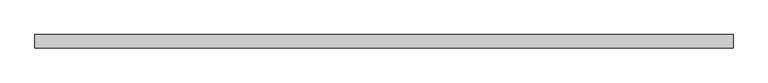
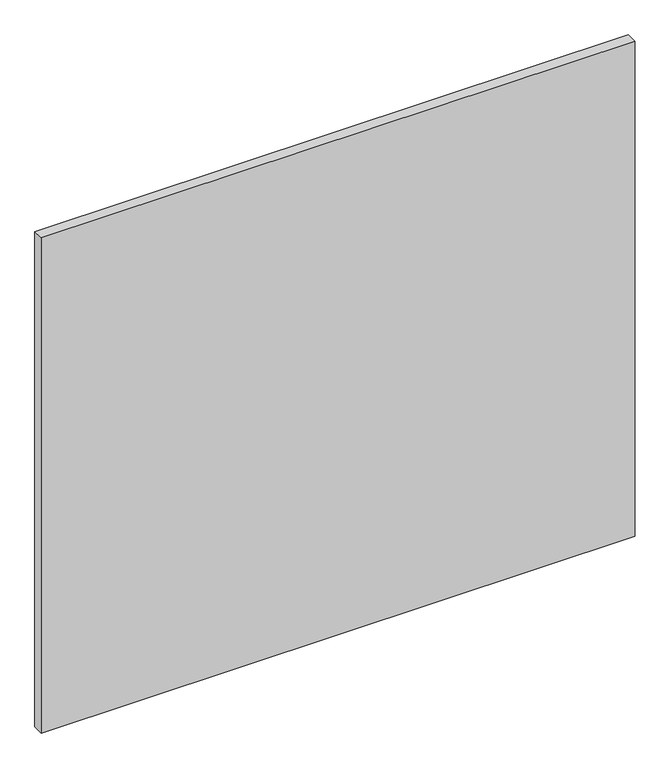
"""IFC4 building model written with IfcOpenShell, lengths in millimetres: proxy geometry."""

from ifc_helpers import new_model, si_unit, frame, origin, place, context, project, spatial, polyline, outline, extrude, source, transform, mapped, element, save


def specialty_equipment_a2b5f0c6(model_context):
    return source(origin(), model_context, "Body", "SweptSolid", [
        extrude(outline(polyline([(506.1204, 0.0), (506.1204, -19.05), (-506.1204, -19.05), (-506.1204, 0.0), (506.1204, 0.0)])), frame((0.0, 0.0, 3.175), z_axis=(0.0, 0.0, 1.0), x_axis=(1.0, 0.0, 0.0)), (0.0, 0.0, 1.0), 892.175),
    ])


if __name__ == "__main__":
    model = new_model("IFC4")
    model_context = context("Model", 3, world=origin())
    ifc_project = project(units=[si_unit("LENGTHUNIT", "METRE", prefix="MILLI")], contexts=[model_context])
    site = spatial("IfcSite", under=ifc_project)
    building = spatial("IfcBuilding", under=site)
    placement = place(None, origin())
    specialty_equipment_shape = specialty_equipment_a2b5f0c6(model_context)
    element("IfcBuildingElementProxy", 1, Name="Specialty Equipment", at=placement, inside=building, context=model_context, shape_type="MappedRepresentation", body=[
        mapped(specialty_equipment_shape, transform((0.0, 0.0, 0.0), x_axis=(1.0, 0.0, 0.0), y_axis=(0.0, 1.0, 0.0), z_axis=(0.0, 0.0, 1.0))),
    ])
    save(model, "model.ifc")
